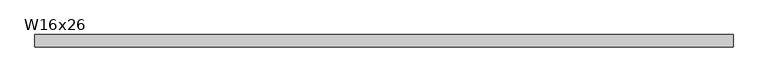
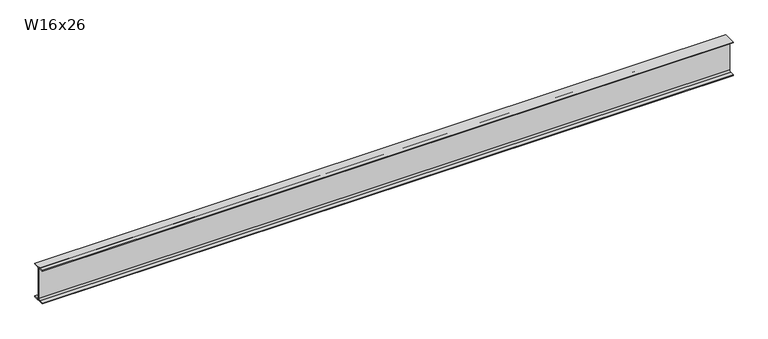
"""IFC4 building model written with IfcOpenShell, lengths in millimetres: beam geometry, W16x26."""

from ifc_helpers import new_model, si_unit, point, frame, frame_2d, origin, place, context, project, spatial, polyline, circle_curve, trimmed, segment, composite_curve, outline, extrude, source, transform, mapped, element, save


def w16x26_cc45c3c0(model_context):
    return source(origin(), model_context, "Body", "SweptSolid", [
        extrude(outline(composite_curve([segment(polyline([(69.85, -190.627), (69.85, -199.39), (-69.85, -199.39), (-69.85, -190.627), (-21.3995, -190.627)]), True, "CONTINUOUS"), segment(trimmed(circle_curve(frame_2d((-21.3995, -172.4025)), 18.2245), [point((-21.3995, -190.627))], [point((-3.175, -172.4025))], True, "CARTESIAN"), True, "CONTINUOUS"), segment(polyline([(-3.175, -172.4025), (-3.175, 172.4025)]), True, "CONTINUOUS"), segment(trimmed(circle_curve(frame_2d((-21.3995, 172.4025)), 18.2245), [point((-3.175, 172.4025))], [point((-21.3995, 190.627))], True, "CARTESIAN"), True, "CONTINUOUS"), segment(polyline([(-21.3995, 190.627), (-69.85, 190.627), (-69.85, 199.39), (69.85, 199.39), (69.85, 190.627), (21.3995, 190.627)]), True, "CONTINUOUS"), segment(trimmed(circle_curve(frame_2d((21.3995, 172.4025)), 18.2245), [point((21.3995, 190.627))], [point((3.175, 172.4025))], True, "CARTESIAN"), True, "CONTINUOUS"), segment(polyline([(3.175, 172.4025), (3.175, -172.4025)]), True, "CONTINUOUS"), segment(trimmed(circle_curve(frame_2d((21.3995, -172.4025)), 18.2245), [point((3.175, -172.4025))], [point((21.3995, -190.627))], True, "CARTESIAN"), True, "CONTINUOUS"), segment(polyline([(21.3995, -190.627), (69.85, -190.627)]), True, "CONTINUOUS")], self_intersect=False)), frame((-3822.7, 0.0, 0.0), z_axis=(1.0, 0.0, 0.0), x_axis=(0.0, 1.0, 0.0)), (0.0, 0.0, 1.0), 7785.1),
    ])


if __name__ == "__main__":
    model = new_model("IFC4")
    model_context = context("Model", 3, world=origin())
    ifc_project = project(units=[si_unit("LENGTHUNIT", "METRE", prefix="MILLI")], contexts=[model_context])
    site = spatial("IfcSite", under=ifc_project)
    building = spatial("IfcBuilding", under=site)
    placement = place(None, origin())
    w16x26_shape = w16x26_cc45c3c0(model_context)
    element("IfcBeam", 1, ObjectType="W16x26", at=placement, inside=building, context=model_context, shape_type="MappedRepresentation", body=[
        mapped(w16x26_shape, transform((0.0, 0.0, 0.0), x_axis=(1.0, 0.0, 0.0), y_axis=(0.0, 1.0, 0.0), z_axis=(0.0, 0.0, 1.0))),
    ])
    save(model, "model.ifc")
